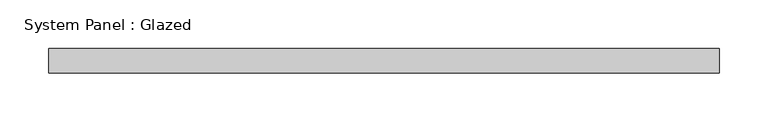
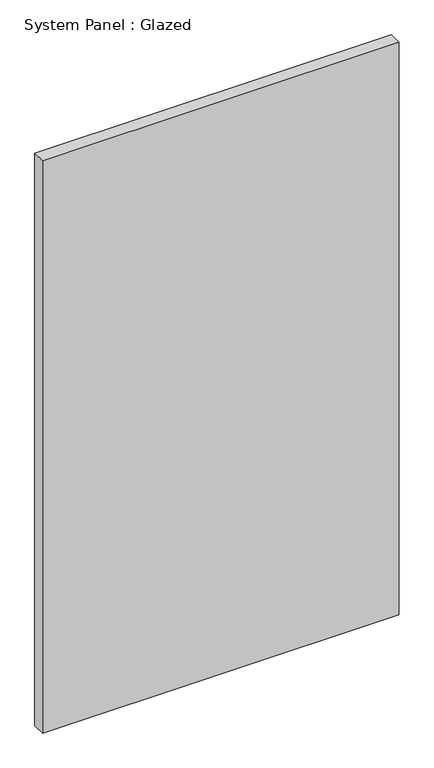
"""IFC4 building model written with IfcOpenShell, lengths in millimetres: plate geometry, System Panel : Glazed."""

from ifc_helpers import new_model, si_unit, origin, origin_with_axes, place, context, project, spatial, polyline, outline, extrude, source, transform, mapped, element, save


def system_panel_glazed_6f932bba(model_context):
    return source(origin(), model_context, "Body", "SweptSolid", [
        extrude(outline(polyline([(344.4875, 25.4), (-344.4875, 25.4), (-344.4875, 50.8), (344.4875, 50.8), (344.4875, 25.4)])), origin_with_axes(), (0.0, 0.0, 1.0), 1168.4),
    ])


if __name__ == "__main__":
    model = new_model("IFC4")
    model_context = context("Model", 3, world=origin())
    ifc_project = project(units=[si_unit("LENGTHUNIT", "METRE", prefix="MILLI")], contexts=[model_context])
    site = spatial("IfcSite", under=ifc_project)
    building = spatial("IfcBuilding", under=site)
    placement = place(None, origin())
    system_panel_glazed_shape = system_panel_glazed_6f932bba(model_context)
    element("IfcPlate", 1, ObjectType="System Panel : Glazed", at=placement, inside=building, context=model_context, shape_type="MappedRepresentation", body=[
        mapped(system_panel_glazed_shape, transform((0.0, 0.0, 0.0), x_axis=(1.0, 0.0, 0.0), y_axis=(0.0, 1.0, 0.0), z_axis=(0.0, 0.0, 1.0))),
    ])
    save(model, "model.ifc")
